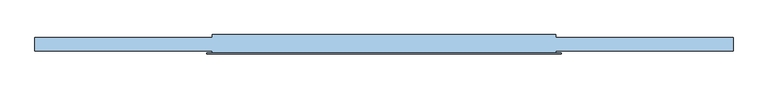
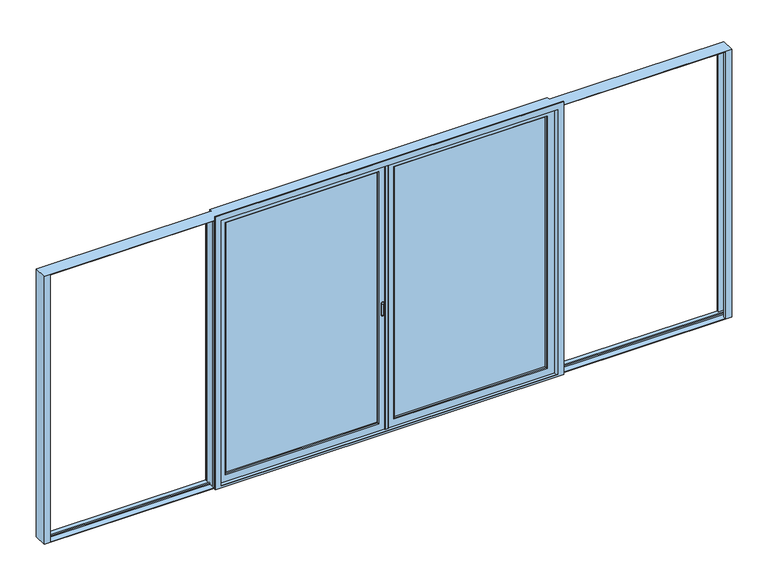
"""IFC4 building model written with IfcOpenShell, lengths in millimetres: window geometry."""

from ifc_helpers import new_model, si_unit, point, frame, frame_2d, origin, place, context, project, spatial, polyline, circle_curve, trimmed, segment, composite_curve, outline, extrude, faceted_brep, source, transform, mapped, element, save
from ifc_brep_helpers import plane_surface, revolved_surface, advanced_brep


def window_c27bcba5(model_context):
    return source(origin(), model_context, "Body", "SolidModel", [
        extrude(outline(polyline([(55.0, -102.0), (55.0, -98.0), (1195.0, -98.0), (1195.0, -102.0), (55.0, -102.0)])), frame((0.0, 0.0, 101.0), z_axis=(0.0, 0.0, 1.0), x_axis=(1.0, 0.0, 0.0)), (0.0, 0.0, 1.0), 1983.0),
        extrude(outline(polyline([(55.0, -122.0), (55.0, -118.0), (1195.0, -118.0), (1195.0, -122.0), (55.0, -122.0)])), frame((0.0, 0.0, 101.0), z_axis=(0.0, 0.0, 1.0), x_axis=(1.0, 0.0, 0.0)), (0.0, 0.0, 1.0), 1983.0),
        faceted_brep([(1195.0, -80.0, 101.0), (55.0, -80.0, 101.0), (60.0, -85.0, 106.0), (1190.0, -85.0, 106.0), (1190.0, -85.0, 2079.0), (1195.0, -80.0, 2084.0), (1295.0, -80.0, 46.0), (15.0, -80.0, 46.0), (15.0, -80.0, 2139.0), (1295.0, -80.0, 2139.0), (55.0, -80.0, 2084.0), (1190.0, -98.0, 106.0), (1190.0, -98.0, 2079.0), (1195.0, -98.0, 2084.0), (55.0, -98.0, 2084.0), (55.0, -98.0, 101.0), (1195.0, -98.0, 101.0), (60.0, -98.0, 106.0), (60.0, -98.0, 2079.0), (55.0, -102.0, 101.0), (1195.0, -102.0, 101.0), (1195.0, -102.0, 2084.0), (55.0, -102.0, 2084.0), (1190.0, -102.0, 2079.0), (60.0, -102.0, 2079.0), (60.0, -102.0, 106.0), (1190.0, -102.0, 106.0), (60.0, -118.0, 106.0), (1190.0, -118.0, 106.0), (1190.0, -118.0, 2079.0), (1195.0, -118.0, 2084.0), (55.0, -118.0, 2084.0), (55.0, -118.0, 101.0), (1195.0, -118.0, 101.0), (60.0, -118.0, 2079.0), (55.0, -122.0, 101.0), (1195.0, -122.0, 101.0), (1195.0, -122.0, 2084.0), (55.0, -122.0, 2084.0), (1190.0, -122.0, 2079.0), (60.0, -122.0, 2079.0), (60.0, -122.0, 106.0), (1190.0, -122.0, 106.0), (60.0, -135.0, 106.0), (1190.0, -135.0, 106.0), (1190.0, -135.0, 2079.0), (1195.0, -140.0, 101.0), (1195.0, -140.0, 2084.0), (1295.0, -140.0, 2139.0), (15.0, -140.0, 2139.0), (15.0, -140.0, 46.0), (1295.0, -140.0, 46.0), (55.0, -140.0, 101.0), (55.0, -140.0, 2084.0), (0.0, -115.0, 2139.0), (0.0, -115.0, 2130.0), (0.0, -105.0, 2130.0), (0.0, -105.0, 2139.0), (0.0, -80.0, 2139.0), (0.0, -80.0, 46.0), (0.0, -105.0, 46.0), (0.0, -105.0, 55.0), (0.0, -115.0, 55.0), (0.0, -115.0, 46.0), (0.0, -140.0, 46.0), (0.0, -140.0, 2139.0), (-15.0, -140.0, 45.0), (-15.0, -140.0, 2139.0), (15.0, -140.0, 45.0), (1295.0, -105.0, 46.0), (1295.0, -115.0, 46.0), (1295.0, -115.0, 55.0), (1295.0, -105.0, 55.0), (15.0, -80.0, 45.0), (-15.0, -80.0, 2139.0), (-15.0, -80.0, 45.0), (60.0, -85.0, 2079.0), (60.0, -135.0, 2079.0), (1295.0, -105.0, 2139.0), (1295.0, -105.0, 2130.0), (1295.0, -115.0, 2130.0), (1295.0, -115.0, 2139.0), (15.0, -77.5, 45.0), (15.0, -77.5, 2139.0), (15.0, -142.5, 2139.0), (15.0, -142.5, 45.0), (-15.0, -77.5, 45.0), (-12.5, -75.0, 45.0), (12.5, -75.0, 45.0), (12.5, -145.0, 45.0), (-12.5, -145.0, 45.0), (-15.0, -142.5, 45.0), (12.5, -75.0, 2139.0), (-12.5, -75.0, 2139.0), (-15.0, -77.5, 2139.0), (-15.0, -142.5, 2139.0), (-12.5, -145.0, 2139.0), (12.5, -145.0, 2139.0)], [[[0, 1, 2, 3]], [[3, 4, 5, 0]], [[6, 7, 8, 9], [5, 10, 1, 0]], [[3, 11, 12, 4]], [[13, 14, 15, 16], [11, 17, 18, 12]], [[3, 2, 17, 11]], [[16, 15, 19, 20]], [[20, 21, 13, 16]], [[20, 19, 22, 21], [23, 24, 25, 26]], [[26, 25, 27, 28]], [[28, 29, 23, 26]], [[30, 31, 32, 33], [28, 27, 34, 29]], [[33, 32, 35, 36]], [[36, 37, 30, 33]], [[36, 35, 38, 37], [39, 40, 41, 42]], [[42, 41, 43, 44]], [[44, 45, 39, 42]], [[44, 46, 47, 45]], [[48, 49, 50, 51], [46, 52, 53, 47]], [[44, 43, 52, 46]], [[54, 55, 56, 57, 58, 59, 60, 61, 62, 63, 64, 65]], [[66, 67, 65, 64, 50, 68]], [[59, 7, 6, 69, 60]], [[63, 70, 51, 50, 64]], [[71, 70, 63, 62]], [[72, 71, 62, 61]], [[61, 60, 69, 72]], [[73, 7, 59, 58, 74, 75]], [[76, 2, 1, 10]], [[18, 17, 2, 76]], [[22, 19, 15, 14]], [[34, 27, 25, 24]], [[38, 35, 32, 31]], [[77, 43, 41, 40]], [[53, 52, 43, 77]], [[51, 70, 71, 72, 69, 6, 9, 78, 79, 80, 81, 48]], [[8, 7, 73, 82, 83]], [[84, 85, 68, 50, 49]], [[75, 86, 87, 88, 82, 73]], [[85, 89, 90, 91, 66, 68]], [[83, 82, 88, 92]], [[92, 88, 87, 93]], [[93, 87, 86, 94]], [[94, 86, 75, 74]], [[67, 66, 91, 95]], [[95, 91, 90, 96]], [[96, 90, 89, 97]], [[97, 89, 85, 84]], [[65, 67, 95, 96, 97, 84, 49, 48, 81, 54]], [[57, 78, 9, 8, 83, 92, 93, 94, 74, 58]], [[4, 76, 10, 5]], [[12, 18, 76, 4]], [[21, 22, 14, 13]], [[29, 34, 24, 23]], [[37, 38, 31, 30]], [[45, 77, 40, 39]], [[47, 53, 77, 45]], [[55, 54, 81, 80]], [[80, 79, 56, 55]], [[79, 78, 57, 56]]]),
        extrude(outline(polyline([(-55.0, -102.0), (-1195.0, -102.0), (-1195.0, -98.0), (-55.0, -98.0), (-55.0, -102.0)])), frame((0.0, 0.0, 101.0), z_axis=(0.0, 0.0, 1.0), x_axis=(1.0, 0.0, 0.0)), (0.0, 0.0, 1.0), 1983.0),
        extrude(outline(polyline([(-55.0, -122.0), (-1195.0, -122.0), (-1195.0, -118.0), (-55.0, -118.0), (-55.0, -122.0)])), frame((0.0, 0.0, 101.0), z_axis=(0.0, 0.0, 1.0), x_axis=(1.0, 0.0, 0.0)), (0.0, 0.0, 1.0), 1983.0),
        advanced_brep(
        [(0.0, -140.0, 46.0), (-1295.0, -140.0, 46.0), (-1295.0, -115.0, 46.0), (0.0, -115.0, 46.0), (-1295.0, -80.0, 46.0), (0.0, -80.0, 46.0), (0.0, -105.0, 46.0), (-1295.0, -105.0, 46.0), (0.0, -140.0, 2139.0), (-1295.0, -140.0, 2139.0), (-1195.0, -140.0, 101.0), (-1195.0, -140.0, 2084.0), (-55.0, -140.0, 2084.0), (-55.0, -140.0, 101.0), (-37.5, -140.0, 950.0), (-37.5, -140.0, 1040.0), (-17.5, -140.0, 1040.0), (-17.5, -140.0, 950.0), (0.0, -80.0, 2139.0), (-1295.0, -80.0, 2139.0), (-1195.0, -80.0, 2084.0), (-1195.0, -80.0, 101.0), (-55.0, -80.0, 101.0), (-55.0, -80.0, 2084.0), (-1190.0, -85.0, 106.0), (-60.0, -85.0, 106.0), (-1190.0, -85.0, 2079.0), (-1190.0, -98.0, 2079.0), (-1190.0, -98.0, 106.0), (-60.0, -98.0, 106.0), (-1195.0, -98.0, 2084.0), (-1195.0, -98.0, 101.0), (-55.0, -98.0, 101.0), (-55.0, -98.0, 2084.0), (-60.0, -98.0, 2079.0), (-1195.0, -102.0, 101.0), (-55.0, -102.0, 101.0), (-1195.0, -102.0, 2084.0), (-55.0, -102.0, 2084.0), (-1190.0, -102.0, 2079.0), (-1190.0, -102.0, 106.0), (-60.0, -102.0, 106.0), (-60.0, -102.0, 2079.0), (-1190.0, -118.0, 106.0), (-60.0, -118.0, 106.0), (-1190.0, -118.0, 2079.0), (-1195.0, -118.0, 2084.0), (-1195.0, -118.0, 101.0), (-55.0, -118.0, 101.0), (-55.0, -118.0, 2084.0), (-60.0, -118.0, 2079.0), (-1195.0, -122.0, 101.0), (-55.0, -122.0, 101.0), (-1195.0, -122.0, 2084.0), (-55.0, -122.0, 2084.0), (-1190.0, -122.0, 2079.0), (-1190.0, -122.0, 106.0), (-60.0, -122.0, 106.0), (-60.0, -122.0, 2079.0), (-1190.0, -135.0, 106.0), (-60.0, -135.0, 106.0), (-1190.0, -135.0, 2079.0), (0.0, -115.0, 55.0), (0.0, -105.0, 55.0), (0.0, -105.0, 2139.0), (0.0, -105.0, 2130.0), (0.0, -115.0, 2130.0), (0.0, -115.0, 2139.0), (-60.0, -85.0, 2079.0), (-60.0, -135.0, 2079.0), (-1295.0, -115.0, 2139.0), (-1295.0, -105.0, 2139.0), (-1295.0, -115.0, 2130.0), (-1295.0, -105.0, 2130.0), (-1295.0, -105.0, 55.0), (-1295.0, -115.0, 55.0), (-37.5, -135.0, 950.0), (-37.5, -135.0, 1040.0), (-17.5, -135.0, 1040.0), (-17.5, -135.0, 950.0)],
        [
            (0, 1),
            (1, 2),
            (2, 3),
            (3, 0),
            (4, 5),
            (5, 6),
            (6, 7),
            (7, 4),
            (0, 8),
            (8, 9),
            (9, 1),
            (10, 11),
            (11, 12),
            (12, 13),
            (13, 10),
            (14, 15),
            (15, 16, circle_curve(frame((-27.5, -140.0, 1040.0), z_axis=(0.0, 1.0, 0.0), x_axis=(1.0, 0.0, 0.0)), 10.0)),
            (16, 17),
            (17, 14, circle_curve(frame((-27.5, -140.0, 950.0), z_axis=(0.0, 1.0, 0.0), x_axis=(1.0, 0.0, 0.0)), 10.0)),
            (18, 5),
            (4, 19),
            (19, 18),
            (20, 21),
            (21, 22),
            (22, 23),
            (23, 20),
            (21, 24),
            (24, 25),
            (25, 22),
            (20, 26),
            (26, 24),
            (26, 27),
            (27, 28),
            (28, 24),
            (28, 29),
            (29, 25),
            (30, 31),
            (31, 32),
            (32, 33),
            (33, 30),
            (27, 34),
            (34, 29),
            (31, 35),
            (35, 36),
            (36, 32),
            (30, 37),
            (37, 35),
            (37, 38),
            (38, 36),
            (39, 40),
            (40, 41),
            (41, 42),
            (42, 39),
            (40, 43),
            (43, 44),
            (44, 41),
            (39, 45),
            (45, 43),
            (46, 47),
            (47, 48),
            (48, 49),
            (49, 46),
            (45, 50),
            (50, 44),
            (47, 51),
            (51, 52),
            (52, 48),
            (46, 53),
            (53, 51),
            (53, 54),
            (54, 52),
            (55, 56),
            (56, 57),
            (57, 58),
            (58, 55),
            (56, 59),
            (59, 60),
            (60, 57),
            (55, 61),
            (61, 59),
            (61, 11),
            (10, 59),
            (13, 60),
            (3, 62),
            (62, 63),
            (63, 6),
            (18, 64),
            (64, 65),
            (65, 66),
            (66, 67),
            (67, 8),
            (68, 23),
            (25, 68),
            (34, 68),
            (38, 33),
            (50, 42),
            (54, 49),
            (69, 58),
            (60, 69),
            (12, 69),
            (67, 70),
            (70, 9),
            (19, 71),
            (71, 64),
            (68, 26),
            (69, 61),
            (70, 72),
            (72, 73),
            (73, 71),
            (7, 74),
            (74, 75),
            (75, 2),
            (75, 62),
            (63, 74),
            (66, 72),
            (65, 73),
            (76, 77),
            (77, 15),
            (14, 76),
            (77, 78, circle_curve(frame((-27.5, -135.0, 1040.0), z_axis=(0.0, 1.0, 0.0), x_axis=(1.0, 0.0, 0.0)), 10.0)),
            (78, 16),
            (78, 79),
            (79, 17),
            (79, 76, circle_curve(frame((-27.5, -135.0, 950.0), z_axis=(0.0, 1.0, 0.0), x_axis=(1.0, 0.0, 0.0)), 10.0)),
        ],
        [
            plane_surface(frame((0.0, -140.0, 46.0), z_axis=(0.0, 0.0, -1.0), x_axis=(-1.0, 0.0, 0.0))),
            plane_surface(frame((-55.0, -140.0, 101.0), z_axis=(0.0, -1.0, 0.0), x_axis=(-1.0, 0.0, 0.0))),
            plane_surface(frame((0.0, -80.0, 46.0), z_axis=(0.0, 1.0, 0.0), x_axis=(-1.0, 0.0, 0.0))),
            plane_surface(frame((-55.0, -80.0, 101.0), z_axis=(0.0, 0.7071067811865481, 0.707106781186547), x_axis=(-1.0, 0.0, 0.0))),
            plane_surface(frame((-1195.0, -80.0, 101.0), z_axis=(0.707106781186547, 0.7071067811865481, 0.0), x_axis=(0.0, 0.0, 1.0))),
            plane_surface(frame((-1190.0, -85.0, 106.0), z_axis=(1.0, 0.0, 0.0), x_axis=(0.0, 0.0, 1.0))),
            plane_surface(frame((-60.0, -85.0, 106.0), z_axis=(0.0, 0.0, 1.0), x_axis=(-1.0, 0.0, 0.0))),
            plane_surface(frame((-60.0, -98.0, 106.0), z_axis=(0.0, -1.0, 0.0), x_axis=(-1.0, 0.0, 0.0))),
            plane_surface(frame((-55.0, -98.0, 101.0), z_axis=(0.0, 0.0, 1.0), x_axis=(-1.0, 0.0, 0.0))),
            plane_surface(frame((-1195.0, -98.0, 101.0), z_axis=(1.0, 0.0, 0.0), x_axis=(0.0, 0.0, 1.0))),
            plane_surface(frame((-55.0, -102.0, 101.0), z_axis=(0.0, 1.0, 0.0), x_axis=(-1.0, 0.0, 0.0))),
            plane_surface(frame((-60.0, -102.0, 106.0), z_axis=(0.0, 0.0, 1.0), x_axis=(-1.0, 0.0, 0.0))),
            plane_surface(frame((-1190.0, -102.0, 106.0), z_axis=(1.0, 0.0, 0.0), x_axis=(0.0, 0.0, 1.0))),
            plane_surface(frame((-60.0, -118.0, 106.0), z_axis=(0.0, -1.0, 0.0), x_axis=(-1.0, 0.0, 0.0))),
            plane_surface(frame((-55.0, -118.0, 101.0), z_axis=(0.0, 0.0, 1.0), x_axis=(-1.0, 0.0, 0.0))),
            plane_surface(frame((-1195.0, -118.0, 101.0), z_axis=(1.0, 0.0, 0.0), x_axis=(0.0, 0.0, 1.0))),
            plane_surface(frame((-55.0, -122.0, 101.0), z_axis=(0.0, 1.0, 0.0), x_axis=(-1.0, 0.0, 0.0))),
            plane_surface(frame((-60.0, -122.0, 106.0), z_axis=(0.0, 0.0, 1.0), x_axis=(-1.0, 0.0, 0.0))),
            plane_surface(frame((-1190.0, -122.0, 106.0), z_axis=(1.0, 0.0, 0.0), x_axis=(0.0, 0.0, 1.0))),
            plane_surface(frame((-1190.0, -135.0, 106.0), z_axis=(0.707106781186549, -0.7071067811865461, 0.0), x_axis=(0.0, 0.0, 1.0))),
            plane_surface(frame((-60.0, -135.0, 106.0), z_axis=(0.0, -0.7071067811865461, 0.707106781186549), x_axis=(-1.0, 0.0, 0.0))),
            plane_surface(frame((0.0, -140.0, 2139.0), z_axis=(1.0, 0.0, 0.0), x_axis=(0.0, 0.0, -1.0))),
            plane_surface(frame((-55.0, -80.0, 2084.0), z_axis=(-0.707106781186547, 0.7071067811865481, 0.0), x_axis=(0.0, 0.0, -1.0))),
            plane_surface(frame((-60.0, -85.0, 2079.0), z_axis=(-1.0, 0.0, 0.0), x_axis=(0.0, 0.0, -1.0))),
            plane_surface(frame((-55.0, -98.0, 2084.0), z_axis=(-1.0, 0.0, 0.0), x_axis=(0.0, 0.0, -1.0))),
            plane_surface(frame((-60.0, -102.0, 2079.0), z_axis=(-1.0, 0.0, 0.0), x_axis=(0.0, 0.0, -1.0))),
            plane_surface(frame((-55.0, -118.0, 2084.0), z_axis=(-1.0, 0.0, 0.0), x_axis=(0.0, 0.0, -1.0))),
            plane_surface(frame((-60.0, -122.0, 2079.0), z_axis=(-1.0, 0.0, 0.0), x_axis=(0.0, 0.0, -1.0))),
            plane_surface(frame((-60.0, -135.0, 2079.0), z_axis=(-0.707106781186549, -0.7071067811865461, 0.0), x_axis=(0.0, 0.0, -1.0))),
            plane_surface(frame((-1250.0, -140.0, 2139.0), z_axis=(0.0, 0.0, 1.0), x_axis=(1.0, 0.0, 0.0))),
            plane_surface(frame((-1195.0, -80.0, 2084.0), z_axis=(0.0, 0.7071067811865481, -0.707106781186547), x_axis=(1.0, 0.0, 0.0))),
            plane_surface(frame((-1190.0, -85.0, 2079.0), z_axis=(0.0, 0.0, -1.0), x_axis=(1.0, 0.0, 0.0))),
            plane_surface(frame((-1195.0, -98.0, 2084.0), z_axis=(0.0, 0.0, -1.0), x_axis=(1.0, 0.0, 0.0))),
            plane_surface(frame((-1190.0, -102.0, 2079.0), z_axis=(0.0, 0.0, -1.0), x_axis=(1.0, 0.0, 0.0))),
            plane_surface(frame((-1195.0, -118.0, 2084.0), z_axis=(0.0, 0.0, -1.0), x_axis=(1.0, 0.0, 0.0))),
            plane_surface(frame((-1190.0, -122.0, 2079.0), z_axis=(0.0, 0.0, -1.0), x_axis=(1.0, 0.0, 0.0))),
            plane_surface(frame((-1190.0, -135.0, 2079.0), z_axis=(0.0, -0.7071067811865461, -0.707106781186549), x_axis=(1.0, 0.0, 0.0))),
            plane_surface(frame((-1295.0, -140.0, 2139.0), z_axis=(-1.0, 0.0, 0.0), x_axis=(0.0, 1.0, 0.0))),
            plane_surface(frame((-1295.0, -115.0, 40.0), z_axis=(0.0, 1.0, 0.0), x_axis=(1.0, 0.0, 0.0))),
            plane_surface(frame((-1295.0, -105.0, 55.0), z_axis=(0.0, -1.0, 0.0), x_axis=(1.0, 0.0, 0.0))),
            plane_surface(frame((-1295.0, -115.0, 55.0), z_axis=(0.0, 0.0, -1.0), x_axis=(1.0, 0.0, 0.0))),
            plane_surface(frame((-1295.0, -115.0, 2130.0), z_axis=(0.0, 1.0, 0.0), x_axis=(1.0, 0.0, 0.0))),
            plane_surface(frame((-1295.0, -105.0, 2130.0), z_axis=(0.0, 0.0, 1.0), x_axis=(1.0, 0.0, 0.0))),
            plane_surface(frame((-1295.0, -105.0, 2140.0), z_axis=(0.0, -1.0, 0.0), x_axis=(1.0, 0.0, 0.0))),
            plane_surface(frame((-37.5, -140.0, 1040.0), z_axis=(1.0, 0.0, 0.0), x_axis=(0.0, 1.0, 0.0))),
            revolved_surface(polyline([(-17.5, -140.0, 1040.0), (-17.5, -135.0, 1040.0)]), (-27.5, -135.0, 1040.0), (0.0, -1.0, 0.0)),
            plane_surface(frame((-17.5, -140.0, 950.0), z_axis=(-1.0, 0.0, 0.0), x_axis=(0.0, 1.0, 0.0))),
            revolved_surface(polyline([(-17.5, -140.0, 950.0), (-17.5, -135.0, 950.0)]), (-27.5, -135.0, 950.0), (0.0, -1.0, 0.0)),
            plane_surface(frame((-37.5, -135.0, 1040.0), z_axis=(0.0, -1.0, 0.0), x_axis=(0.0, 0.0, 1.0))),
        ],
        [
            (0, [[1, 2, 3, 4]]),
            (0, [[5, 6, 7, 8]]),
            (1, [[9, 10, 11, -1], [12, 13, 14, 15], [16, 17, 18, 19]]),
            (2, [[20, -5, 21, 22], [23, 24, 25, 26]]),
            (3, [[27, 28, 29, -24]]),
            (4, [[-27, -23, 30, 31]]),
            (5, [[-31, 32, 33, 34]]),
            (6, [[-34, 35, 36, -28]]),
            (7, [[37, 38, 39, 40], [-33, 41, 42, -35]]),
            (8, [[43, 44, 45, -38]]),
            (9, [[-43, -37, 46, 47]]),
            (10, [[-47, 48, 49, -44], [50, 51, 52, 53]]),
            (11, [[54, 55, 56, -51]]),
            (12, [[-54, -50, 57, 58]]),
            (13, [[59, 60, 61, 62], [-58, 63, 64, -55]]),
            (14, [[65, 66, 67, -60]]),
            (15, [[-65, -59, 68, 69]]),
            (16, [[-69, 70, 71, -66], [72, 73, 74, 75]]),
            (17, [[76, 77, 78, -73]]),
            (18, [[-76, -72, 79, 80]]),
            (19, [[-80, 81, -12, 82]]),
            (20, [[-82, -15, 83, -77]]),
            (21, [[-9, -4, 84, 85, 86, -6, -20, 87, 88, 89, 90, 91]]),
            (22, [[92, -25, -29, 93]]),
            (23, [[94, -93, -36, -42]]),
            (24, [[95, -39, -45, -49]]),
            (25, [[96, -52, -56, -64]]),
            (26, [[97, -61, -67, -71]]),
            (27, [[98, -74, -78, 99]]),
            (28, [[100, -99, -83, -14]]),
            (29, [[-10, -91, 101, 102]]),
            (29, [[-22, 103, 104, -87]]),
            (30, [[-30, -26, -92, 105]]),
            (31, [[-32, -105, -94, -41]]),
            (32, [[-46, -40, -95, -48]]),
            (33, [[-57, -53, -96, -63]]),
            (34, [[-68, -62, -97, -70]]),
            (35, [[-79, -75, -98, 106]]),
            (36, [[-81, -106, -100, -13]]),
            (37, [[-11, -102, 107, 108, 109, -103, -21, -8, 110, 111, 112, -2]]),
            (38, [[113, -84, -3, -112]]),
            (39, [[114, -110, -7, -86]]),
            (40, [[-114, -85, -113, -111]]),
            (41, [[115, -107, -101, -90]]),
            (42, [[-115, -89, 116, -108]]),
            (43, [[-116, -88, -104, -109]]),
            (44, [[117, 118, -16, 119]]),
            (45, [[120, 121, -17, -118]]),
            (46, [[122, 123, -18, -121]]),
            (47, [[124, -119, -19, -123]]),
            (48, [[-117, -124, -122, -120]]),
        ],
    ),
        extrude(outline(composite_curve([segment(trimmed(circle_curve(frame_2d((1040.0, -27.5)), 10.0), [point((1040.0, -17.5))], [point((1040.0, -37.5))], False, "CARTESIAN"), True, "CONTINUOUS"), segment(polyline([(1040.0, -37.5), (950.0, -37.5)]), True, "CONTINUOUS"), segment(trimmed(circle_curve(frame_2d((950.0, -27.5)), 10.0), [point((950.0, -37.5))], [point((950.0, -17.5))], False, "CARTESIAN"), True, "CONTINUOUS"), segment(polyline([(950.0, -17.5), (1040.0, -17.5)]), True, "CONTINUOUS")], self_intersect=False), holes=[composite_curve([segment(trimmed(circle_curve(frame_2d((1020.0, -27.5)), 9.0), [point((1020.0, -36.5))], [point((1020.0, -18.5))], True, "CARTESIAN"), True, "CONTINUOUS"), segment(polyline([(1020.0, -18.5), (950.0, -18.5)]), True, "CONTINUOUS"), segment(trimmed(circle_curve(frame_2d((950.0, -27.5)), 9.0), [point((950.0, -18.5))], [point((950.0, -36.5))], True, "CARTESIAN"), True, "CONTINUOUS"), segment(polyline([(950.0, -36.5), (1020.0, -36.5)]), True, "CONTINUOUS")], self_intersect=False)]), frame((0.0, -139.0, 0.0), z_axis=(0.0, 1.0, 0.0), x_axis=(0.0, 0.0, 1.0)), (0.0, 0.0, 1.0), 4.0),
        faceted_brep([(1255.0, -40.0, 40.0), (1255.0, -60.0, 40.0), (2553.0, -60.0, 40.0), (2553.0, -160.0, 40.0), (1255.0, -160.0, 40.0), (1255.0, -175.0, 40.0), (1295.0, -175.0, 40.0), (1295.0, -180.0, 40.0), (-1295.0, -180.0, 40.0), (-1295.0, -175.0, 40.0), (-1255.0, -175.0, 40.0), (-1255.0, -160.0, 40.0), (-2553.0, -160.0, 40.0), (-2553.0, -60.0, 40.0), (-1255.0, -60.0, 40.0), (-1255.0, -40.0, 40.0), (1255.0, -40.0, 2145.0), (1255.0, -60.0, 2145.0), (2553.0, -60.0, 2145.0), (1295.0, -60.0, 2140.0), (1295.0, -60.0, 45.0), (2505.0, -60.0, 45.0), (2505.0, -60.0, 2140.0), (-2553.0, -60.0, 2145.0), (-1255.0, -60.0, 2145.0), (-1295.0, -60.0, 45.0), (-1295.0, -60.0, 2140.0), (-2505.0, -60.0, 2140.0), (-2505.0, -60.0, 45.0), (2553.0, -160.0, 2145.0), (1255.0, -160.0, 2145.0), (1295.0, -160.0, 45.0), (1295.0, -160.0, 2140.0), (2505.0, -160.0, 2140.0), (2505.0, -160.0, 45.0), (-2553.0, -160.0, 2145.0), (-1255.0, -160.0, 2145.0), (-1295.0, -160.0, 2140.0), (-1295.0, -160.0, 45.0), (-2505.0, -160.0, 45.0), (-2505.0, -160.0, 2140.0), (1255.0, -175.0, 2145.0), (1255.0, -175.0, 55.0), (-1295.0, -175.0, 2185.0), (1295.0, -175.0, 2185.0), (-1255.0, -175.0, 2145.0), (-1255.0, -175.0, 55.0), (1295.0, -180.0, 2185.0), (-1295.0, -180.0, 2185.0), (1250.0, -180.0, 55.0), (-1250.0, -180.0, 55.0), (-1250.0, -180.0, 2140.0), (1250.0, -180.0, 2140.0), (-1255.0, -40.0, 2145.0), (1250.0, -40.0, 45.0), (1250.0, -40.0, 2140.0), (-1250.0, -40.0, 2140.0), (-1250.0, -40.0, 45.0), (1250.0, -75.0, 45.0), (1250.0, -75.0, 2140.0), (-1250.0, -75.0, 2140.0), (-1250.0, -75.0, 45.0), (-1295.0, -75.0, 45.0), (-2505.0, -75.0, 45.0), (-2545.0, -75.0, 45.0), (-2545.0, -105.0, 45.0), (2545.0, -105.0, 45.0), (2545.0, -75.0, 45.0), (2505.0, -75.0, 45.0), (1295.0, -75.0, 45.0), (1295.0, -75.0, 2140.0), (1295.0, -145.0, 2140.0), (1295.0, -145.0, 45.0), (1250.0, -145.0, 45.0), (1250.0, -145.0, 2140.0), (2545.0, -115.0, 45.0), (-2545.0, -115.0, 45.0), (-2545.0, -145.0, 45.0), (-2505.0, -145.0, 45.0), (-1295.0, -145.0, 45.0), (-1250.0, -145.0, 45.0), (-1250.0, -175.0, 45.0), (1250.0, -175.0, 45.0), (2505.0, -145.0, 45.0), (2545.0, -145.0, 45.0), (1250.0, -175.0, 55.0), (-1250.0, -175.0, 55.0), (-1295.0, -145.0, 2140.0), (-2505.0, -145.0, 2140.0), (2505.0, -145.0, 2140.0), (2505.0, -75.0, 2140.0), (-1295.0, -75.0, 2140.0), (-2505.0, -75.0, 2140.0), (-1250.0, -145.0, 2140.0), (2545.0, -115.0, 55.0), (-2545.0, -115.0, 55.0), (-2545.0, -145.0, 2140.0), (-2545.0, -105.0, 55.0), (-2545.0, -75.0, 2140.0), (-2545.0, -105.0, 2140.0), (-2545.0, -105.0, 2130.0), (-2545.0, -115.0, 2130.0), (-2545.0, -115.0, 2140.0), (2545.0, -145.0, 2140.0), (2545.0, -75.0, 2140.0), (2545.0, -105.0, 55.0), (2545.0, -115.0, 2140.0), (2545.0, -115.0, 2130.0), (2545.0, -105.0, 2130.0), (2545.0, -105.0, 2140.0)], [[[0, 1, 2, 3, 4, 5, 6, 7, 8, 9, 10, 11, 12, 13, 14, 15]], [[16, 17, 1, 0]], [[18, 2, 1, 17], [19, 20, 21, 22]], [[13, 23, 24, 14], [25, 26, 27, 28]], [[18, 29, 3, 2]], [[3, 29, 30, 4], [31, 32, 33, 34]], [[35, 12, 11, 36], [37, 38, 39, 40]], [[30, 41, 42, 5, 4]], [[43, 44, 6, 5, 42, 41, 45, 46, 10, 9]], [[47, 7, 6, 44]], [[8, 7, 47, 48], [49, 50, 51, 52]], [[8, 48, 43, 9]], [[45, 36, 11, 10, 46]], [[35, 23, 13, 12]], [[24, 53, 15, 14]], [[53, 16, 0, 15], [54, 55, 56, 57]], [[55, 54, 58, 59]], [[57, 56, 60, 61]], [[54, 57, 61, 62, 25, 28, 63, 64, 65, 66, 67, 68, 21, 20, 69, 58]], [[69, 70, 59, 58]], [[71, 72, 73, 74]], [[72, 71, 32, 31]], [[75, 76, 77, 78, 39, 38, 79, 80, 81, 82, 73, 72, 31, 34, 83, 84]], [[74, 73, 82, 85, 49, 52]], [[86, 85, 82, 81]], [[85, 86, 50, 49]], [[38, 37, 87, 79]], [[40, 39, 78, 88]], [[89, 83, 34, 33]], [[70, 69, 20, 19]], [[22, 21, 68, 90]], [[26, 25, 62, 91]], [[28, 27, 92, 63]], [[93, 80, 79, 87]], [[80, 93, 51, 50, 86, 81]], [[61, 60, 91, 62]], [[76, 75, 94, 95]], [[96, 77, 76, 95, 97, 65, 64, 98, 99, 100, 101, 102]], [[77, 96, 88, 78]], [[103, 84, 83, 89]], [[104, 67, 66, 105, 94, 75, 84, 103, 106, 107, 108, 109]], [[95, 94, 105, 97]], [[97, 105, 66, 65]], [[98, 64, 63, 92]], [[90, 68, 67, 104]], [[17, 16, 53, 24, 23, 35, 36, 45, 41, 30, 29, 18]], [[56, 55, 59, 70, 19, 22, 90, 104, 109, 99, 98, 92, 27, 26, 91, 60]], [[99, 109, 108, 100]], [[100, 108, 107, 101]], [[106, 102, 101, 107]], [[48, 47, 44, 43]], [[102, 106, 103, 89, 33, 32, 71, 74, 52, 51, 93, 87, 37, 40, 88, 96]]]),
    ])


if __name__ == "__main__":
    model = new_model("IFC4")
    model_context = context("Model", 3, world=origin())
    ifc_project = project(units=[si_unit("LENGTHUNIT", "METRE", prefix="MILLI")], contexts=[model_context])
    site = spatial("IfcSite", under=ifc_project)
    building = spatial("IfcBuilding", under=site)
    placement = place(None, origin())
    window_shape = window_c27bcba5(model_context)
    element("IfcWindow", 1, at=placement, inside=building, context=model_context, shape_type="MappedRepresentation", body=[
        mapped(window_shape, transform((0.0, 0.0, 0.0), x_axis=(1.0, 0.0, 0.0), y_axis=(0.0, 1.0, 0.0), z_axis=(0.0, 0.0, 1.0))),
    ])
    save(model, "model.ifc")
